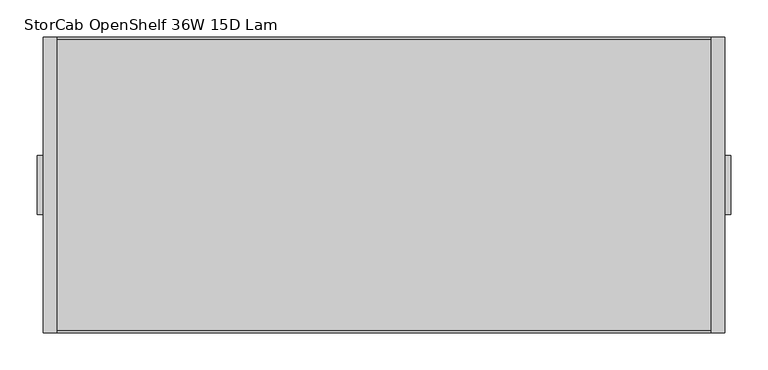
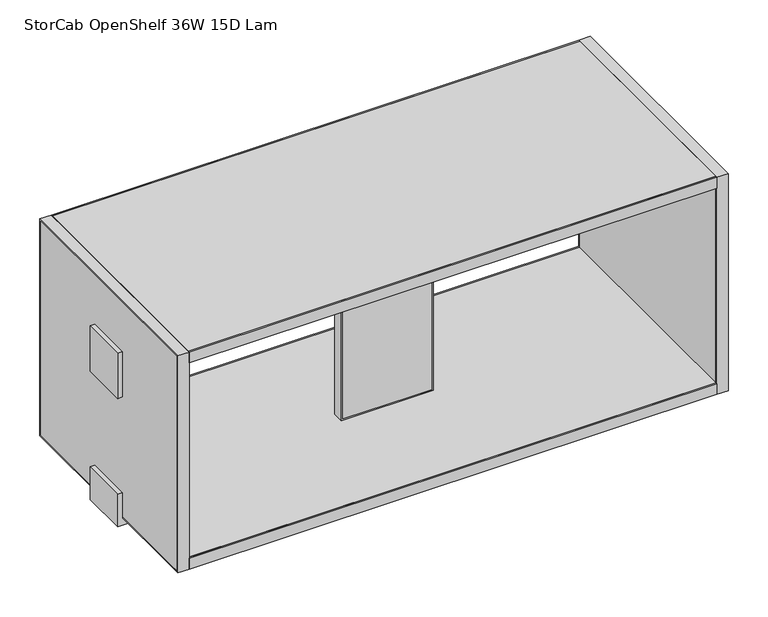
"""IFC4 building model written with IfcOpenShell, lengths in millimetres: furniture geometry, StorCab OpenShelf 36W 15D Lam."""

from ifc_helpers import new_model, si_unit, frame, origin, place, context, project, spatial, polyline, outline, extrude, source, transform, mapped, element, save


def storcab_openshelf_36w_15d_lam_56435c17(model_context):
    return source(origin(), model_context, "Body", "SweptSolid", [
        extrude(outline(polyline([(568.96, -9.525), (421.64, -9.525), (421.64, 9.525), (568.96, 9.525), (568.96, -9.525)])), frame((0.0, 0.0, 278.765), z_axis=(0.0, 0.0, 1.0), x_axis=(1.0, 0.0, 0.0)), (0.0, 0.0, 1.0), 337.82),
        extrude(outline(polyline([(619.125, 571.5), (619.125, 419.1), (276.225, 419.1), (276.225, 571.5), (619.125, 571.5)]), holes=[polyline([(278.765, 568.96), (278.765, 421.64), (616.585, 421.64), (616.585, 568.96), (278.765, 568.96)])]), frame((0.0, -9.525, 0.0), z_axis=(0.0, 1.0, 0.0), x_axis=(0.0, 0.0, 1.0)), (0.0, 0.0, 1.0), 19.05),
        extrude(outline(polyline([(57.15, 195.8975), (57.15, 198.4375061), (933.45, 198.4375061), (933.45, 195.8975), (57.15, 195.8975)])), frame((0.0, 0.0, 619.125), z_axis=(0.0, 0.0, 1.0), x_axis=(1.0, 0.0, 0.0)), (0.0, 0.0, 1.0), 19.05),
        extrude(outline(polyline([(57.15, -198.4375061), (57.15, -195.8975061), (933.45, -195.8975061), (933.45, -198.4375061), (57.15, -198.4375061)])), frame((0.0, 0.0, 619.125), z_axis=(0.0, 0.0, 1.0), x_axis=(1.0, 0.0, 0.0)), (0.0, 0.0, 1.0), 19.05),
        extrude(outline(polyline([(244.4749996, 960.4374992), (301.6249985, 960.4374992), (301.6249985, 952.5), (257.175, 952.5), (257.175, 38.1), (301.6249985, 38.1), (301.6249985, 30.1625008), (244.4749996, 30.1625008), (244.4749996, 960.4374992)])), frame((0.0, -39.6875, 0.0), z_axis=(0.0, 1.0, 0.0), x_axis=(0.0, 0.0, 1.0)), (0.0, 0.0, 1.0), 79.375),
        extrude(outline(polyline([(57.15, -195.8975061), (57.15, 195.8975), (933.45, 195.8975), (933.45, -195.8975061), (57.15, -195.8975061)])), frame((0.0, 0.0, 619.125), z_axis=(0.0, 0.0, 1.0), x_axis=(1.0, 0.0, 0.0)), (0.0, 0.0, 1.0), 19.05),
        extrude(outline(polyline([(942.975, 195.8975061), (942.975, -195.8975061), (933.45, -195.8975061), (933.45, 195.8975061), (942.975, 195.8975061)])), frame((0.0, 0.0, 259.715), z_axis=(0.0, 0.0, 1.0), x_axis=(1.0, 0.0, 0.0)), (0.0, 0.0, 1.0), 375.92),
        extrude(outline(polyline([(57.15, 195.8975061), (57.15, -195.8975061), (47.625, -195.8975061), (47.625, 195.8975061), (57.15, 195.8975061)])), frame((0.0, 0.0, 259.715), z_axis=(0.0, 0.0, 1.0), x_axis=(1.0, 0.0, 0.0)), (0.0, 0.0, 1.0), 375.92),
        extrude(outline(polyline([(960.4374992, 39.6875), (960.4374992, -39.6875), (952.5, -39.6875), (952.5, 39.6875), (960.4374992, 39.6875)])), frame((0.0, 0.0, 469.9000061), z_axis=(0.0, 0.0, 1.0), x_axis=(1.0, 0.0, 0.0)), (0.0, 0.0, 1.0), 79.3749879),
        extrude(outline(polyline([(38.1, 39.6875), (38.1, -39.6875), (30.1625, -39.6875), (30.1625, 39.6875), (38.1, 39.6875)])), frame((0.0, 0.0, 469.9000061), z_axis=(0.0, 0.0, 1.0), x_axis=(1.0, 0.0, 0.0)), (0.0, 0.0, 1.0), 79.3749879),
        extrude(outline(polyline([(57.15, -195.8975061), (57.15, 195.8975), (933.45, 195.8975), (933.45, -195.8975061), (57.15, -195.8975061)])), frame((0.0, 0.0, 257.175), z_axis=(0.0, 0.0, 1.0), x_axis=(1.0, 0.0, 0.0)), (0.0, 0.0, 1.0), 19.05),
        extrude(outline(polyline([(57.15, 195.8975), (57.15, 198.4375), (933.45, 198.4375), (933.45, 195.8975), (57.15, 195.8975)])), frame((0.0, 0.0, 257.175), z_axis=(0.0, 0.0, 1.0), x_axis=(1.0, 0.0, 0.0)), (0.0, 0.0, 1.0), 19.05),
        extrude(outline(polyline([(57.15, -198.4375061), (57.15, -195.8975061), (933.45, -195.8975061), (933.45, -198.4375061), (57.15, -198.4375061)])), frame((0.0, 0.0, 257.175), z_axis=(0.0, 0.0, 1.0), x_axis=(1.0, 0.0, 0.0)), (0.0, 0.0, 1.0), 19.05),
        extrude(outline(polyline([(952.5, 195.8975061), (952.5, -195.8975061), (942.975, -195.8975061), (942.975, 195.8975061), (952.5, 195.8975061)])), frame((0.0, 0.0, 259.715), z_axis=(0.0, 0.0, 1.0), x_axis=(1.0, 0.0, 0.0)), (0.0, 0.0, 1.0), 375.92),
        extrude(outline(polyline([(47.625, 195.8975061), (47.625, -195.8975061), (38.1, -195.8975061), (38.1, 195.8975061), (47.625, 195.8975061)])), frame((0.0, 0.0, 259.715), z_axis=(0.0, 0.0, 1.0), x_axis=(1.0, 0.0, 0.0)), (0.0, 0.0, 1.0), 375.92),
        extrude(outline(polyline([(-198.4375061, 638.175), (198.4375061, 638.175), (198.4375061, 257.175), (-198.4375061, 257.175), (-198.4375061, 638.175)]), holes=[polyline([(-195.8975061, 259.715), (195.8975061, 259.715), (195.8975061, 635.635), (-195.8975061, 635.635), (-195.8975061, 259.715)])]), frame((38.1, 0.0, 0.0), z_axis=(1.0, 0.0, 0.0), x_axis=(0.0, 1.0, 0.0)), (0.0, 0.0, 1.0), 19.05),
        extrude(outline(polyline([(-198.4375061, 638.175), (198.4375061, 638.175), (198.4375061, 257.175), (-198.4375061, 257.175), (-198.4375061, 638.175)]), holes=[polyline([(-195.8975061, 259.715), (195.8975061, 259.715), (195.8975061, 635.635), (-195.8975061, 635.635), (-195.8975061, 259.715)])]), frame((933.45, 0.0, 0.0), z_axis=(1.0, 0.0, 0.0), x_axis=(0.0, 1.0, 0.0)), (0.0, 0.0, 1.0), 19.05),
    ])


if __name__ == "__main__":
    model = new_model("IFC4")
    model_context = context("Model", 3, world=origin())
    ifc_project = project(units=[si_unit("LENGTHUNIT", "METRE", prefix="MILLI")], contexts=[model_context])
    site = spatial("IfcSite", under=ifc_project)
    building = spatial("IfcBuilding", under=site)
    placement = place(None, origin())
    storcab_openshelf_36w_15d_lam_shape = storcab_openshelf_36w_15d_lam_56435c17(model_context)
    element("IfcFurniture", 1, ObjectType="StorCab OpenShelf 36W 15D Lam", at=placement, inside=building, context=model_context, shape_type="MappedRepresentation", body=[
        mapped(storcab_openshelf_36w_15d_lam_shape, transform((0.0, 0.0, 0.0), x_axis=(1.0, 0.0, 0.0), y_axis=(0.0, 1.0, 0.0), z_axis=(0.0, 0.0, 1.0))),
    ])
    save(model, "model.ifc")
